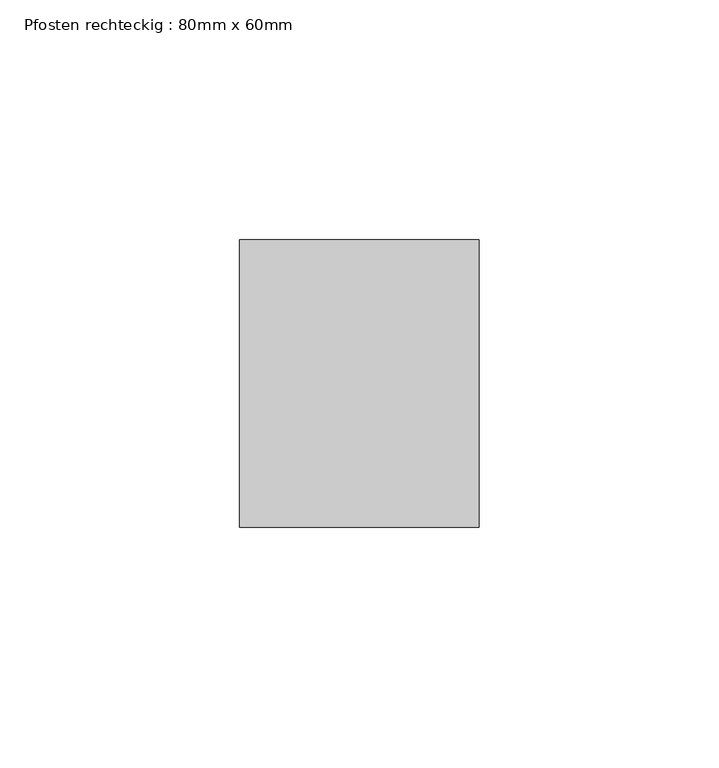
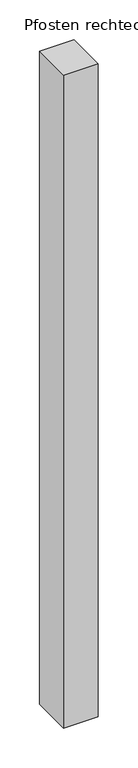
"""IFC4 building model written with IfcOpenShell, lengths in millimetres: member geometry, Pfosten rechteckig : 80mm x 60mm."""

from ifc_helpers import new_model, si_unit, frame, origin, place, context, project, spatial, polyline, outline, extrude, source, transform, mapped, element, save


def pfosten_rechteckig_80mm_x_60mm_ba6e8896(model_context):
    return source(origin(), model_context, "Body", "SweptSolid", [
        extrude(outline(polyline([(0.0, 30.0), (0.0, -30.0), (-50.0, -30.0), (-50.0, 30.0), (0.0, 30.0)])), frame((0.0, 0.0, -1000.0), z_axis=(0.0, 0.0, 1.0), x_axis=(1.0, 0.0, 0.0)), (0.0, 0.0, 1.0), 1000.0),
    ])


if __name__ == "__main__":
    model = new_model("IFC4")
    model_context = context("Model", 3, world=origin())
    ifc_project = project(units=[si_unit("LENGTHUNIT", "METRE", prefix="MILLI")], contexts=[model_context])
    site = spatial("IfcSite", under=ifc_project)
    building = spatial("IfcBuilding", under=site)
    placement = place(None, origin())
    pfosten_rechteckig_80mm_x_60mm_shape = pfosten_rechteckig_80mm_x_60mm_ba6e8896(model_context)
    element("IfcMember", 1, ObjectType="Pfosten rechteckig : 80mm x 60mm", at=placement, inside=building, context=model_context, shape_type="MappedRepresentation", body=[
        mapped(pfosten_rechteckig_80mm_x_60mm_shape, transform((0.0, 0.0, 0.0), x_axis=(1.0, 0.0, 0.0), y_axis=(0.0, 1.0, 0.0), z_axis=(0.0, 0.0, 1.0))),
    ])
    save(model, "model.ifc")
